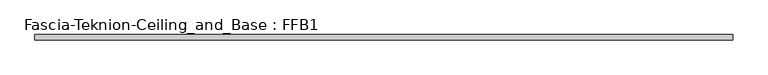
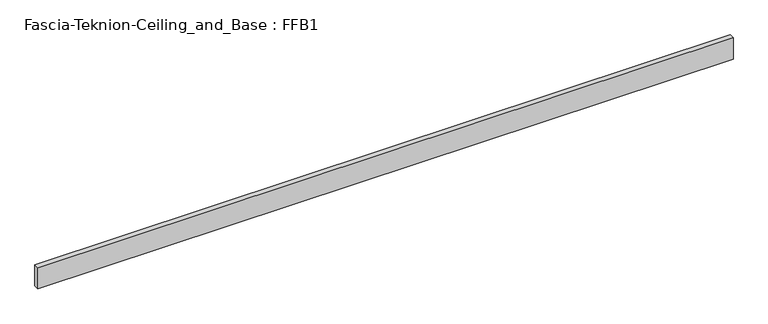
"""IFC4 building model written with IfcOpenShell, lengths in millimetres: proxy geometry, Fascia-Teknion-Ceiling_and_Base : FFB1."""

import ifcopenshell
import ifcopenshell.guid

model = None  # the IFC model being written
_history = None  # IfcOwnerHistory: only IFC2X3 demands one
_inside = {}  # id of a spatial element -> (the spatial element, [elements in it])
_under = {}  # id of a project, library or spatial element -> (it, [spatial elements below it])
_declared = {}  # id of a project -> (the project, [libraries it declares])
_typed = {}  # id of a type object -> (the type object, [elements of that type])
_made_of = {}  # id of a material, layer set ... -> (it, [elements and type objects made of it])


def new_model(schema):
    """Start an empty IFC model of exactly this schema.

    Asked for "IFC4X3", IfcOpenShell would pick the latest addendum, in which some entities
    have other attributes; the version numbers below select the first issue.
    IFC2X3 requires an IfcOwnerHistory on every rooted entity: one is made here for all.
    """
    global model, _history
    if schema == "IFC4X3":
        model = ifcopenshell.file(schema_version=(4, 3, 0, 0))
    else:
        model = ifcopenshell.file(schema=schema)
    _inside.clear()
    _under.clear()
    _declared.clear()
    _typed.clear()
    _made_of.clear()
    _history = None
    if model.schema == "IFC2X3":
        org = make("IfcOrganization", Name="unknown")
        user = make(
            "IfcPersonAndOrganization",
            ThePerson=make("IfcPerson", FamilyName="unknown"),
            TheOrganization=org,
        )
        app = make(
            "IfcApplication",
            ApplicationDeveloper=org,
            Version="unknown",
            ApplicationFullName="unknown",
            ApplicationIdentifier="unknown",
        )
        _history = make(
            "IfcOwnerHistory",
            OwningUser=user,
            OwningApplication=app,
            ChangeAction="ADDED",
            CreationDate=0,
        )
    return model


def make(cls, **values):
    """One entity of the class cls with the attributes given. An attribute that is None is left unset."""
    return model.create_entity(
        cls, **{name: value for name, value in values.items() if value is not None}
    )


def rooted(cls, **values):
    """An entity with a GlobalId (a new one), such as an element, a storey or a relation."""
    return make(cls, GlobalId=ifcopenshell.guid.new(), OwnerHistory=_history, **values)


def si_unit(unit_type, name, prefix=None):
    """IfcSIUnit, for example si_unit("LENGTHUNIT", "METRE", prefix="MILLI")."""
    return make("IfcSIUnit", UnitType=unit_type, Prefix=prefix, Name=name)


def assignment(units):
    """IfcUnitAssignment: the units of a project."""
    return None if units is None else make("IfcUnitAssignment", Units=units)


def point(xyz):
    """IfcCartesianPoint."""
    return None if xyz is None else make("IfcCartesianPoint", Coordinates=xyz)


def direction(xyz):
    """IfcDirection."""
    return None if xyz is None else make("IfcDirection", DirectionRatios=xyz)


def frame(location, z_axis=None, x_axis=None):
    """IfcAxis2Placement3D, a coordinate frame: its origin and axes. An axis left out is left unset."""
    return make(
        "IfcAxis2Placement3D",
        Location=point(location),
        Axis=direction(z_axis),
        RefDirection=direction(x_axis),
    )


def origin():
    """The frame at (0, 0, 0) with its axes left unset."""
    return frame((0.0, 0.0, 0.0))


def origin_with_axes():
    """The frame at (0, 0, 0) with the z axis (0, 0, 1) and the x axis (1, 0, 0) written out."""
    return frame((0.0, 0.0, 0.0), z_axis=(0.0, 0.0, 1.0), x_axis=(1.0, 0.0, 0.0))


def place(relative_to, where):
    """IfcLocalPlacement: puts the frame where relative to a parent placement (None: the world)."""
    return make(
        "IfcLocalPlacement", PlacementRelTo=relative_to, RelativePlacement=where
    )


def context(
    kind, dimensions, precision=None, world=None, true_north=None, identifier=None
):
    """IfcGeometricRepresentationContext, for example the 3D "Model" context."""
    return make(
        "IfcGeometricRepresentationContext",
        ContextIdentifier=identifier,
        ContextType=kind,
        CoordinateSpaceDimension=dimensions,
        Precision=precision,
        WorldCoordinateSystem=world,
        TrueNorth=true_north,
    )


def project(units=None, contexts=None):
    """IfcProject with its units and contexts."""
    return rooted(
        "IfcProject",
        Name="project",
        RepresentationContexts=contexts,
        UnitsInContext=assignment(units),
    )


def spatial(cls, under=None, at=None, **own):
    """A site, building, storey or space (cls), placed at a placement, below another one or the project."""
    s = rooted(cls, ObjectPlacement=at, **own)
    if under is not None:
        _under.setdefault(under.id(), (under, []))[1].append(s)
    return s


def polyline(points):
    """IfcPolyline through the points."""
    return make("IfcPolyline", Points=[point(p) for p in points])


def outline(outer, holes=None, kind="AREA"):
    """IfcArbitraryClosedProfileDef: a profile drawn as a closed curve; with holes, ...WithVoids."""
    if holes is None:
        return make("IfcArbitraryClosedProfileDef", ProfileType=kind, OuterCurve=outer)
    return make(
        "IfcArbitraryProfileDefWithVoids",
        ProfileType=kind,
        OuterCurve=outer,
        InnerCurves=holes,
    )


def extrude(swept, where, along, depth):
    """IfcExtrudedAreaSolid: the profile swept, set in the frame where, extruded along a direction by depth."""
    return make(
        "IfcExtrudedAreaSolid",
        SweptArea=swept,
        Position=where,
        ExtrudedDirection=direction(along),
        Depth=depth,
    )


def shape(context_of_items, identifier, shape_type, items):
    """IfcShapeRepresentation: the items that make up one representation, for example the "Body"."""
    return make(
        "IfcShapeRepresentation",
        ContextOfItems=context_of_items,
        RepresentationIdentifier=identifier,
        RepresentationType=shape_type,
        Items=items,
    )


def source(mapping_origin, context_of_items, identifier, shape_type, items):
    """IfcRepresentationMap: a shape defined once, which mapped items show again and again."""
    return make(
        "IfcRepresentationMap",
        MappingOrigin=mapping_origin,
        MappedRepresentation=shape(context_of_items, identifier, shape_type, items),
    )


def transform(
    local_origin,
    x_axis=None,
    y_axis=None,
    z_axis=None,
    scale=None,
    scale2=None,
    scale3=None,
    uniform=True,
):
    """IfcCartesianTransformationOperator3D, or its non-uniform kind. x_axis, y_axis, z_axis: its Axis1, 2, 3."""
    if uniform:
        return make(
            "IfcCartesianTransformationOperator3D",
            Axis1=direction(x_axis),
            Axis2=direction(y_axis),
            LocalOrigin=point(local_origin),
            Scale=scale,
            Axis3=direction(z_axis),
        )
    return make(
        "IfcCartesianTransformationOperator3DnonUniform",
        Axis1=direction(x_axis),
        Axis2=direction(y_axis),
        LocalOrigin=point(local_origin),
        Scale=scale,
        Axis3=direction(z_axis),
        Scale2=scale2,
        Scale3=scale3,
    )


def mapped(mapping_source, mapping_target):
    """IfcMappedItem: shows the shape of a source again, moved by a transform."""
    return make(
        "IfcMappedItem", MappingSource=mapping_source, MappingTarget=mapping_target
    )


def made_of(thing, what):
    """Note that an element or type object is made of a material, layer set ...; save() writes the relation."""
    if what is not None:
        _made_of.setdefault(what.id(), (what, []))[1].append(thing)
    return thing


def element(
    cls,
    number,
    at=None,
    inside=None,
    cuts=None,
    type_object=None,
    material=None,
    context=None,
    identifier="Body",
    shape_type=None,
    held_by="IfcProductDefinitionShape",
    body=None,
    shapes=None,
    **own,
):
    """One element of the class cls, such as IfcWall. Its Tag is "e" and its number.

    at: its placement. inside: the storey or other place that contains it. cuts: it is an
    opening in that element (IfcRelVoidsElement). A single representation is given by context,
    identifier, shape_type and body (its items); several are given by shapes. held_by: the class
    of the entity that holds the representations. save() writes the other relations.
    """
    e = rooted(cls, Tag="e%d" % number, ObjectPlacement=at, **own)
    if body is not None:
        shapes = [shape(context, identifier, shape_type, body)]
    if shapes is not None:
        e.Representation = make(held_by, Representations=shapes)
    if inside is not None:
        _inside.setdefault(inside.id(), (inside, []))[1].append(e)
    if cuts is not None:
        rooted(
            "IfcRelVoidsElement", RelatingBuildingElement=cuts, RelatedOpeningElement=e
        )
    if type_object is not None:
        _typed.setdefault(type_object.id(), (type_object, []))[1].append(e)
    return made_of(e, material)


def aggregate(whole, parts):
    """IfcRelAggregates: a whole, such as a stair, and the parts it consists of."""
    return rooted("IfcRelAggregates", RelatingObject=whole, RelatedObjects=parts)


def save(model, path):
    """Write the relations noted so far, then the file.

    IfcRelAggregates (storeys below a building ...), IfcRelContainedInSpatialStructure (elements
    in a storey), IfcRelDefinesByType, IfcRelAssociatesMaterial and IfcRelDeclares: one each for
    every whole, place, type object, material and project.
    """
    for whole, parts in _under.values():
        aggregate(whole, parts)
    for where, things in _inside.values():
        rooted(
            "IfcRelContainedInSpatialStructure",
            RelatedElements=things,
            RelatingStructure=where,
        )
    for kind, things in _typed.values():
        rooted("IfcRelDefinesByType", RelatedObjects=things, RelatingType=kind)
    for what, things in _made_of.values():
        rooted("IfcRelAssociatesMaterial", RelatedObjects=things, RelatingMaterial=what)
    for by, libraries in _declared.values():
        rooted("IfcRelDeclares", RelatingContext=by, RelatedDefinitions=libraries)
    model.write(path)


def fascia_teknion_ceiling_and_base_ffb1_82e00885(model_context):
    return source(origin(), model_context, "Body", "SweptSolid", [
        extrude(outline(polyline([(1252.8407125, 0.0), (-1252.8407125, 0.0), (-1252.8407125, 19.05), (1252.8407125, 19.05), (1252.8407125, 0.0)])), origin_with_axes(), (0.0, 0.0, 1.0), 81.28),
    ])


if __name__ == "__main__":
    model = new_model("IFC4")
    model_context = context("Model", 3, world=origin())
    ifc_project = project(units=[si_unit("LENGTHUNIT", "METRE", prefix="MILLI")], contexts=[model_context])
    site = spatial("IfcSite", under=ifc_project)
    building = spatial("IfcBuilding", under=site)
    placement = place(None, origin())
    fascia_teknion_ceiling_and_base_ffb1_shape = fascia_teknion_ceiling_and_base_ffb1_82e00885(model_context)
    element("IfcBuildingElementProxy", 1, Name="Fascia-Teknion-Ceiling_and_Base : FFB1", ObjectType="Fascia-Teknion-Ceiling_and_Base : FFB1", at=placement, inside=building, context=model_context, shape_type="MappedRepresentation", body=[
        mapped(fascia_teknion_ceiling_and_base_ffb1_shape, transform((0.0, 0.0, 0.0), x_axis=(1.0, 0.0, 0.0), y_axis=(0.0, 1.0, 0.0), z_axis=(0.0, 0.0, 1.0))),
    ])
    save(model, "model.ifc")
